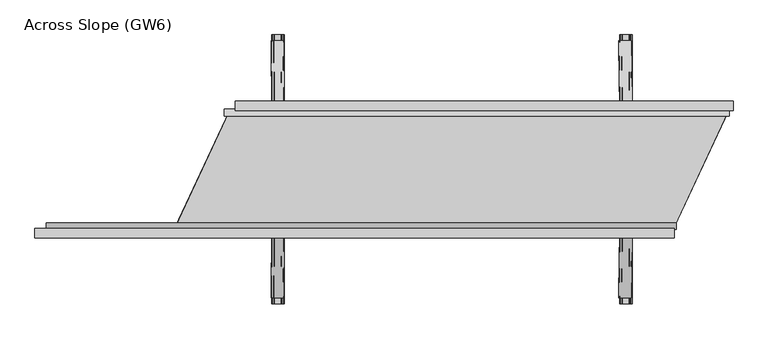
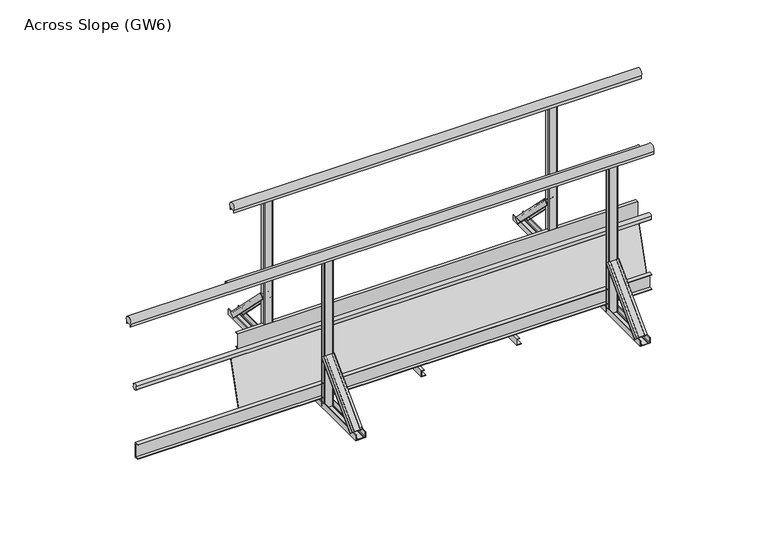
"""IFC4 building model written with IfcOpenShell, lengths in millimetres: proxy geometry, Across Slope (GW6)."""

import ifcopenshell
import ifcopenshell.guid

model = None  # the IFC model being written
_history = None  # IfcOwnerHistory: only IFC2X3 demands one
_inside = {}  # id of a spatial element -> (the spatial element, [elements in it])
_under = {}  # id of a project, library or spatial element -> (it, [spatial elements below it])
_declared = {}  # id of a project -> (the project, [libraries it declares])
_typed = {}  # id of a type object -> (the type object, [elements of that type])
_made_of = {}  # id of a material, layer set ... -> (it, [elements and type objects made of it])


def new_model(schema):
    """Start an empty IFC model of exactly this schema.

    Asked for "IFC4X3", IfcOpenShell would pick the latest addendum, in which some entities
    have other attributes; the version numbers below select the first issue.
    IFC2X3 requires an IfcOwnerHistory on every rooted entity: one is made here for all.
    """
    global model, _history
    if schema == "IFC4X3":
        model = ifcopenshell.file(schema_version=(4, 3, 0, 0))
    else:
        model = ifcopenshell.file(schema=schema)
    _inside.clear()
    _under.clear()
    _declared.clear()
    _typed.clear()
    _made_of.clear()
    _history = None
    if model.schema == "IFC2X3":
        org = make("IfcOrganization", Name="unknown")
        user = make(
            "IfcPersonAndOrganization",
            ThePerson=make("IfcPerson", FamilyName="unknown"),
            TheOrganization=org,
        )
        app = make(
            "IfcApplication",
            ApplicationDeveloper=org,
            Version="unknown",
            ApplicationFullName="unknown",
            ApplicationIdentifier="unknown",
        )
        _history = make(
            "IfcOwnerHistory",
            OwningUser=user,
            OwningApplication=app,
            ChangeAction="ADDED",
            CreationDate=0,
        )
    return model


def make(cls, **values):
    """One entity of the class cls with the attributes given. An attribute that is None is left unset."""
    return model.create_entity(
        cls, **{name: value for name, value in values.items() if value is not None}
    )


def rooted(cls, **values):
    """An entity with a GlobalId (a new one), such as an element, a storey or a relation."""
    return make(cls, GlobalId=ifcopenshell.guid.new(), OwnerHistory=_history, **values)


def si_unit(unit_type, name, prefix=None):
    """IfcSIUnit, for example si_unit("LENGTHUNIT", "METRE", prefix="MILLI")."""
    return make("IfcSIUnit", UnitType=unit_type, Prefix=prefix, Name=name)


def assignment(units):
    """IfcUnitAssignment: the units of a project."""
    return None if units is None else make("IfcUnitAssignment", Units=units)


def point(xyz):
    """IfcCartesianPoint."""
    return None if xyz is None else make("IfcCartesianPoint", Coordinates=xyz)


def direction(xyz):
    """IfcDirection."""
    return None if xyz is None else make("IfcDirection", DirectionRatios=xyz)


def frame(location, z_axis=None, x_axis=None):
    """IfcAxis2Placement3D, a coordinate frame: its origin and axes. An axis left out is left unset."""
    return make(
        "IfcAxis2Placement3D",
        Location=point(location),
        Axis=direction(z_axis),
        RefDirection=direction(x_axis),
    )


def frame_2d(location, x_axis=None):
    """IfcAxis2Placement2D, a coordinate frame in the plane: its origin and x axis."""
    return make(
        "IfcAxis2Placement2D", Location=point(location), RefDirection=direction(x_axis)
    )


def origin():
    """The frame at (0, 0, 0) with its axes left unset."""
    return frame((0.0, 0.0, 0.0))


def origin_with_axes():
    """The frame at (0, 0, 0) with the z axis (0, 0, 1) and the x axis (1, 0, 0) written out."""
    return frame((0.0, 0.0, 0.0), z_axis=(0.0, 0.0, 1.0), x_axis=(1.0, 0.0, 0.0))


def place(relative_to, where):
    """IfcLocalPlacement: puts the frame where relative to a parent placement (None: the world)."""
    return make(
        "IfcLocalPlacement", PlacementRelTo=relative_to, RelativePlacement=where
    )


def context(
    kind, dimensions, precision=None, world=None, true_north=None, identifier=None
):
    """IfcGeometricRepresentationContext, for example the 3D "Model" context."""
    return make(
        "IfcGeometricRepresentationContext",
        ContextIdentifier=identifier,
        ContextType=kind,
        CoordinateSpaceDimension=dimensions,
        Precision=precision,
        WorldCoordinateSystem=world,
        TrueNorth=true_north,
    )


def project(units=None, contexts=None):
    """IfcProject with its units and contexts."""
    return rooted(
        "IfcProject",
        Name="project",
        RepresentationContexts=contexts,
        UnitsInContext=assignment(units),
    )


def spatial(cls, under=None, at=None, **own):
    """A site, building, storey or space (cls), placed at a placement, below another one or the project."""
    s = rooted(cls, ObjectPlacement=at, **own)
    if under is not None:
        _under.setdefault(under.id(), (under, []))[1].append(s)
    return s


def polyline(points):
    """IfcPolyline through the points."""
    return make("IfcPolyline", Points=[point(p) for p in points])


def circle_curve(where, radius):
    """IfcCircle in the frame where."""
    return make("IfcCircle", Position=where, Radius=radius)


def trimmed(basis, trim1, trim2, sense, master):
    """IfcTrimmedCurve: the piece of a basis curve between two trims."""
    return make(
        "IfcTrimmedCurve",
        BasisCurve=basis,
        Trim1=trim1,
        Trim2=trim2,
        SenseAgreement=sense,
        MasterRepresentation=master,
    )


def segment(curve, same_sense, transition):
    """IfcCompositeCurveSegment."""
    return make(
        "IfcCompositeCurveSegment",
        Transition=transition,
        SameSense=same_sense,
        ParentCurve=curve,
    )


def composite_curve(segments, self_intersect=None):
    """IfcCompositeCurve: segments joined end to end."""
    return make("IfcCompositeCurve", Segments=segments, SelfIntersect=self_intersect)


def outline(outer, holes=None, kind="AREA"):
    """IfcArbitraryClosedProfileDef: a profile drawn as a closed curve; with holes, ...WithVoids."""
    if holes is None:
        return make("IfcArbitraryClosedProfileDef", ProfileType=kind, OuterCurve=outer)
    return make(
        "IfcArbitraryProfileDefWithVoids",
        ProfileType=kind,
        OuterCurve=outer,
        InnerCurves=holes,
    )


def extrude(swept, where, along, depth):
    """IfcExtrudedAreaSolid: the profile swept, set in the frame where, extruded along a direction by depth."""
    return make(
        "IfcExtrudedAreaSolid",
        SweptArea=swept,
        Position=where,
        ExtrudedDirection=direction(along),
        Depth=depth,
    )


def shape(context_of_items, identifier, shape_type, items):
    """IfcShapeRepresentation: the items that make up one representation, for example the "Body"."""
    return make(
        "IfcShapeRepresentation",
        ContextOfItems=context_of_items,
        RepresentationIdentifier=identifier,
        RepresentationType=shape_type,
        Items=items,
    )


def source(mapping_origin, context_of_items, identifier, shape_type, items):
    """IfcRepresentationMap: a shape defined once, which mapped items show again and again."""
    return make(
        "IfcRepresentationMap",
        MappingOrigin=mapping_origin,
        MappedRepresentation=shape(context_of_items, identifier, shape_type, items),
    )


def transform(
    local_origin,
    x_axis=None,
    y_axis=None,
    z_axis=None,
    scale=None,
    scale2=None,
    scale3=None,
    uniform=True,
):
    """IfcCartesianTransformationOperator3D, or its non-uniform kind. x_axis, y_axis, z_axis: its Axis1, 2, 3."""
    if uniform:
        return make(
            "IfcCartesianTransformationOperator3D",
            Axis1=direction(x_axis),
            Axis2=direction(y_axis),
            LocalOrigin=point(local_origin),
            Scale=scale,
            Axis3=direction(z_axis),
        )
    return make(
        "IfcCartesianTransformationOperator3DnonUniform",
        Axis1=direction(x_axis),
        Axis2=direction(y_axis),
        LocalOrigin=point(local_origin),
        Scale=scale,
        Axis3=direction(z_axis),
        Scale2=scale2,
        Scale3=scale3,
    )


def mapped(mapping_source, mapping_target):
    """IfcMappedItem: shows the shape of a source again, moved by a transform."""
    return make(
        "IfcMappedItem", MappingSource=mapping_source, MappingTarget=mapping_target
    )


def made_of(thing, what):
    """Note that an element or type object is made of a material, layer set ...; save() writes the relation."""
    if what is not None:
        _made_of.setdefault(what.id(), (what, []))[1].append(thing)
    return thing


def element(
    cls,
    number,
    at=None,
    inside=None,
    cuts=None,
    type_object=None,
    material=None,
    context=None,
    identifier="Body",
    shape_type=None,
    held_by="IfcProductDefinitionShape",
    body=None,
    shapes=None,
    **own,
):
    """One element of the class cls, such as IfcWall. Its Tag is "e" and its number.

    at: its placement. inside: the storey or other place that contains it. cuts: it is an
    opening in that element (IfcRelVoidsElement). A single representation is given by context,
    identifier, shape_type and body (its items); several are given by shapes. held_by: the class
    of the entity that holds the representations. save() writes the other relations.
    """
    e = rooted(cls, Tag="e%d" % number, ObjectPlacement=at, **own)
    if body is not None:
        shapes = [shape(context, identifier, shape_type, body)]
    if shapes is not None:
        e.Representation = make(held_by, Representations=shapes)
    if inside is not None:
        _inside.setdefault(inside.id(), (inside, []))[1].append(e)
    if cuts is not None:
        rooted(
            "IfcRelVoidsElement", RelatingBuildingElement=cuts, RelatedOpeningElement=e
        )
    if type_object is not None:
        _typed.setdefault(type_object.id(), (type_object, []))[1].append(e)
    return made_of(e, material)


def aggregate(whole, parts):
    """IfcRelAggregates: a whole, such as a stair, and the parts it consists of."""
    return rooted("IfcRelAggregates", RelatingObject=whole, RelatedObjects=parts)


def save(model, path):
    """Write the relations noted so far, then the file.

    IfcRelAggregates (storeys below a building ...), IfcRelContainedInSpatialStructure (elements
    in a storey), IfcRelDefinesByType, IfcRelAssociatesMaterial and IfcRelDeclares: one each for
    every whole, place, type object, material and project.
    """
    for whole, parts in _under.values():
        aggregate(whole, parts)
    for where, things in _inside.values():
        rooted(
            "IfcRelContainedInSpatialStructure",
            RelatedElements=things,
            RelatingStructure=where,
        )
    for kind, things in _typed.values():
        rooted("IfcRelDefinesByType", RelatedObjects=things, RelatingType=kind)
    for what, things in _made_of.values():
        rooted("IfcRelAssociatesMaterial", RelatedObjects=things, RelatingMaterial=what)
    for by, libraries in _declared.values():
        rooted("IfcRelDeclares", RelatingContext=by, RelatedDefinitions=libraries)
    model.write(path)


def plane_surface(at):
    """IfcPlane: the flat surface through the origin of the frame at, square to its z axis."""
    return make("IfcPlane", Position=at)


def extruded_surface(curve, direction_of_extrusion, depth):
    """IfcSurfaceOfLinearExtrusion: the curve pushed along a direction by depth."""
    return make(
        "IfcSurfaceOfLinearExtrusion",
        SweptCurve=make("IfcArbitraryOpenProfileDef", ProfileType="CURVE", Curve=curve),
        ExtrudedDirection=direction(direction_of_extrusion),
        Depth=depth,
    )


def advanced_brep(points, edges, surfaces, faces):
    """IfcAdvancedBrep: a solid bounded by faces that lie on surfaces and meet in shared edges.

    An edge is (start, end): straight between two places in points (the first is 0);
    or (start, end, curve); or (start, end, curve, False) where it runs against its curve.
    A face is (place in surfaces, loops), or (place, loops, False) where it looks against
    its surface's normal. A loop lists edges by number (the first is 1), with a minus sign
    where the edge is run from its end to its start. The first loop is the outer one.
    """
    corners = [point(p) for p in points]
    vertices = [make("IfcVertexPoint", VertexGeometry=c) for c in corners]
    made = []
    for start, end, *more in edges:
        made.append(
            make(
                "IfcEdgeCurve",
                EdgeStart=vertices[start],
                EdgeEnd=vertices[end],
                EdgeGeometry=more[0] if more else make("IfcPolyline", Points=[corners[start], corners[end]]),
                SameSense=more[1] if len(more) > 1 else True,
            )
        )
    hull = []
    for where, loops, *sense in faces:
        bounds = []
        for j, loop in enumerate(loops):
            ring = [make("IfcOrientedEdge", EdgeElement=made[abs(k) - 1], Orientation=k > 0) for k in loop]
            bounds.append(
                make(
                    "IfcFaceOuterBound" if j == 0 else "IfcFaceBound",
                    Bound=make("IfcEdgeLoop", EdgeList=ring),
                    Orientation=True,
                )
            )
        hull.append(make("IfcAdvancedFace", Bounds=bounds, FaceSurface=surfaces[where], SameSense=sense[0] if sense else True))
    return make("IfcAdvancedBrep", Outer=make("IfcClosedShell", CfsFaces=hull))


def across_slope_gw6_091c5212(model_context):
    return source(origin(), model_context, "Body", "SolidModel", [
        extrude(outline(polyline([(34.5, 63.0), (9.5, 63.0), (9.5, 163.0), (34.5, 163.0), (34.5, 160.0), (12.5, 160.0), (12.5, 66.0), (34.5, 66.0), (34.5, 63.0)])), frame((333.6034865, 0.0, 0.0), z_axis=(1.0, 0.0, 0.0), x_axis=(0.0, 1.0, 0.0)), (0.0, 0.0, 1.0), 2542.9381096),
        extrude(outline(composite_curve([segment(trimmed(circle_curve(frame_2d((31.5, 1015.0)), 25.0), [point((10.5, 1001.43534))], [point((52.5, 1001.43534))], False, "CARTESIAN"), True, "CONTINUOUS"), segment(polyline([(52.5, 1001.43534), (52.5, 983.0), (51.5, 983.0), (51.5, 998.0), (11.5, 998.0), (11.5, 983.0), (10.5, 983.0), (10.5, 1001.43534)]), True, "CONTINUOUS")], self_intersect=False)), frame((310.0, 0.0, 0.0), z_axis=(1.0, 0.0, 0.0), x_axis=(0.0, 1.0, 0.0)), (0.0, 0.0, 1.0), 2587.9381096),
        extrude(outline(composite_curve([segment(polyline([(-21.8, 520.617273), (-17.8, 520.617273), (-17.8, 535.382727), (-21.8, 535.382727)]), True, "CONTINUOUS"), segment(trimmed(circle_curve(frame_2d((-3.212495, 528.0)), 20.0), [point((-21.8, 535.382727))], [point((12.5, 540.3740657))], False, "CARTESIAN"), True, "CONTINUOUS"), segment(polyline([(12.5, 540.3740657), (12.5, 515.6259343)]), True, "CONTINUOUS"), segment(trimmed(circle_curve(frame_2d((-3.212495, 528.0)), 20.0), [point((12.5, 515.6259343))], [point((-21.8, 520.617273))], False, "CARTESIAN"), True, "CONTINUOUS")], self_intersect=False)), frame((255.0, 0.0, 0.0), z_axis=(1.0, 0.0, 0.0), x_axis=(0.0, 1.0, 0.0)), (0.0, 0.0, 1.0), 2622.9381096),
        extrude(outline(polyline([(-634.5, 63.0), (-634.5, 66.0), (-612.5, 66.0), (-612.5, 160.0), (-634.5, 160.0), (-634.5, 163.0), (-609.5, 163.0), (-609.5, 63.0), (-634.5, 63.0)])), frame((-675.0, 0.0, 0.0), z_axis=(1.0, 0.0, 0.0), x_axis=(0.0, 1.0, 0.0)), (0.0, 0.0, 1.0), 3267.9381096),
        extrude(outline(composite_curve([segment(trimmed(circle_curve(frame_2d((-596.787505, 528.0)), 20.0), [point((-578.2, 520.617273))], [point((-612.5, 515.6259343))], False, "CARTESIAN"), True, "CONTINUOUS"), segment(polyline([(-612.5, 515.6259343), (-612.5, 540.3740657)]), True, "CONTINUOUS"), segment(trimmed(circle_curve(frame_2d((-596.787505, 528.0)), 20.0), [point((-612.5, 540.3740657))], [point((-578.2, 535.382727))], False, "CARTESIAN"), True, "CONTINUOUS"), segment(polyline([(-578.2, 535.382727), (-582.2, 535.382727), (-582.2, 520.617273), (-578.2, 520.617273)]), True, "CONTINUOUS")], self_intersect=False)), frame((-670.0, 0.0, 0.0), z_axis=(1.0, 0.0, 0.0), x_axis=(0.0, 1.0, 0.0)), (0.0, 0.0, 1.0), 3272.9381096),
        extrude(outline(composite_curve([segment(trimmed(circle_curve(frame_2d((-631.5, 1015.0)), 25.0), [point((-652.5, 1001.43534))], [point((-610.5, 1001.43534))], False, "CARTESIAN"), True, "CONTINUOUS"), segment(polyline([(-610.5, 1001.43534), (-610.5, 983.0), (-611.5, 983.0), (-611.5, 998.0), (-651.5, 998.0), (-651.5, 983.0), (-652.5, 983.0), (-652.5, 1001.43534)]), True, "CONTINUOUS")], self_intersect=False)), frame((-730.0, 0.0, 0.0), z_axis=(1.0, 0.0, 0.0), x_axis=(0.0, 1.0, 0.0)), (0.0, 0.0, 1.0), 3322.9381096),
        extrude(outline(polyline([(0.0, 1754.292073), (2.0, 1754.292073), (2.0, 1726.292073), (38.0, 1726.292073), (38.0, 1744.292073), (40.0, 1744.292073), (40.0, 1724.292073), (0.0, 1724.292073), (0.0, 1754.292073)])), frame((0.0, -650.0, 0.0), z_axis=(0.0, 1.0, 0.0), x_axis=(0.0, 0.0, 1.0)), (0.0, 0.0, 1.0), 700.0),
        extrude(outline(polyline([(0.0, 1148.6460365), (2.0, 1148.6460365), (2.0, 1120.6460365), (38.0, 1120.6460365), (38.0, 1138.6460365), (40.0, 1138.6460365), (40.0, 1118.6460365), (0.0, 1118.6460365), (0.0, 1148.6460365)])), frame((0.0, -650.0, 0.0), z_axis=(0.0, 1.0, 0.0), x_axis=(0.0, 0.0, 1.0)), (0.0, 0.0, 1.0), 700.0),
        advanced_brep(
        [(2369.9381096, 368.6980515, 38.0), (2369.9381096, 342.888654, 12.1906025), (2366.9381096, 342.888654, 12.1906025), (2366.9381096, 366.5767312, 35.8786797), (2356.9381096, 366.5767312, 35.8786797), (2356.9381096, 364.8089642, 34.1109127), (2355.9381096, 364.8089642, 34.1109127), (2355.9381096, 366.5767312, 35.8786797), (2318.9381096, 366.5767312, 35.8786797), (2318.9381096, 364.8089642, 34.1109127), (2317.9381096, 364.8089642, 34.1109127), (2317.9381096, 366.5767312, 35.8786797), (2307.9381096, 366.5767312, 35.8786797), (2307.9381096, 342.888654, 12.1906025), (2304.9381096, 342.888654, 12.1906025), (2304.9381096, 368.6980515, 38.0), (2372.9381096, 50.5, 356.1980516), (2307.9381096, 50.5, 356.1980516), (2307.9381096, 24.6906025, 330.3886541), (2310.9381096, 24.6906025, 330.3886541), (2310.9381096, 48.3786797, 354.0767312), (2320.9381096, 48.3786797, 354.0767312), (2320.9381096, 46.6109127, 352.3089643), (2321.9381096, 46.6109127, 352.3089643), (2321.9381096, 48.3786797, 354.0767312), (2358.9381096, 48.3786797, 354.0767312), (2358.9381096, 46.6109127, 352.3089643), (2359.9381096, 46.6109127, 352.3089643), (2359.9381096, 48.3786797, 354.0767312), (2369.9381096, 48.3786797, 354.0767312), (2369.9381096, 24.6906025, 330.3886541), (2372.9381096, 24.6906025, 330.3886541)],
        [
            (0, 1),
            (1, 2, circle_curve(frame((2368.4381096, 342.888654, 12.1906025), z_axis=(0.0, 0.7071067811865506, -0.7071067811865446), x_axis=(0.0, 0.7071067811865446, 0.7071067811865506)), 1.5)),
            (2, 3),
            (3, 4),
            (4, 5),
            (5, 6, circle_curve(frame((2356.4381096, 364.8089642, 34.1109127), z_axis=(0.0, 0.7071067811865506, -0.7071067811865446), x_axis=(0.0, 0.7071067811865446, 0.7071067811865506)), 0.5)),
            (6, 7),
            (7, 8),
            (8, 9),
            (9, 10, circle_curve(frame((2318.4381096, 364.8089642, 34.1109127), z_axis=(0.0, 0.7071067811865506, -0.7071067811865446), x_axis=(0.0, 0.7071067811865446, 0.7071067811865506)), 0.5)),
            (10, 11),
            (11, 12),
            (12, 13),
            (13, 14, circle_curve(frame((2306.4381096, 342.888654, 12.1906025), z_axis=(0.0, 0.7071067811865506, -0.7071067811865446), x_axis=(0.0, 0.7071067811865446, 0.7071067811865506)), 1.5)),
            (14, 15),
            (15, 0),
            (16, 17),
            (17, 18),
            (18, 19, circle_curve(frame((2309.4381096, 24.6906025, 330.3886541), z_axis=(0.0, -0.7071067811865506, 0.7071067811865446), x_axis=(0.0, 0.7071067811865446, 0.7071067811865506)), 1.5)),
            (19, 20),
            (20, 21),
            (21, 22),
            (22, 23, circle_curve(frame((2321.4381096, 46.6109127, 352.3089643), z_axis=(0.0, -0.7071067811865506, 0.7071067811865446), x_axis=(0.0, 0.7071067811865446, 0.7071067811865506)), 0.5)),
            (23, 24),
            (24, 25),
            (25, 26),
            (26, 27, circle_curve(frame((2359.4381096, 46.6109127, 352.3089643), z_axis=(0.0, -0.7071067811865506, 0.7071067811865446), x_axis=(0.0, 0.7071067811865446, 0.7071067811865506)), 0.5)),
            (27, 28),
            (28, 29),
            (29, 30),
            (30, 31, circle_curve(frame((2371.4381096, 24.6906025, 330.3886541), z_axis=(0.0, -0.7071067811865506, 0.7071067811865446), x_axis=(0.0, 0.7071067811865446, 0.7071067811865506)), 1.5)),
            (31, 16),
            (31, 1),
            (0, 16),
            (30, 2),
            (29, 3),
            (28, 4),
            (27, 5),
            (26, 6),
            (25, 7),
            (24, 8),
            (23, 9),
            (22, 10),
            (21, 11),
            (20, 12),
            (19, 13),
            (18, 14),
            (17, 15),
        ],
        [
            plane_surface(frame((2337.4381096, 360.4779352, 29.7798837), z_axis=(0.0, 0.7071067811865502, -0.7071067811865449), x_axis=(0.0, -0.7071067811865449, -0.7071067811865502))),
            plane_surface(frame((2340.4381096, 42.2798837, 347.9779352), z_axis=(0.0, -0.7071067811865505, 0.7071067811865447), x_axis=(0.0, -0.7071067811865447, -0.7071067811865505))),
            plane_surface(frame((2372.9381096, 37.5953012, 343.2933528), z_axis=(0.9999777785184913, 0.004713940454838276, -0.004713940454838116), x_axis=(0.0, -0.7071067811865449, -0.7071067811865502))),
            extruded_surface(trimmed(circle_curve(frame((2371.4381096, 24.6906025, 330.3886541), z_axis=(0.0, 0.7071067811865506, -0.7071067811865446), x_axis=(0.0, 0.7071067811865446, 0.7071067811865506)), 1.5), [point((2372.9381096, 24.6906025, 330.3886541))], [point((2369.9381096, 24.6906025, 330.3886541))], True, "CARTESIAN"), (-3.0, 318.19805149999996, -318.1980516), 450.00999991159404),
            plane_surface(frame((2369.9381096, 36.5346411, 342.2326926), z_axis=(-0.9999777785184911, -0.004713940454837886, 0.00471394045483772), x_axis=(0.0, 0.7071067811865445, 0.7071067811865506))),
            plane_surface(frame((2364.9381096, 48.3786797, 354.0767312), z_axis=(0.0, -0.7071067811865455, -0.7071067811865496), x_axis=(-1.0, 0.0, 0.0))),
            plane_surface(frame((2359.9381096, 47.4947962, 353.1928478), z_axis=(0.9999777785184913, 0.004713940454838199, -0.0047139404548380325), x_axis=(0.0, -0.7071067811865445, -0.7071067811865507))),
            extruded_surface(trimmed(circle_curve(frame((2359.4381096, 46.6109127, 352.3089643), z_axis=(0.0, 0.7071067811865506, -0.7071067811865446), x_axis=(0.0, 0.7071067811865446, 0.7071067811865506)), 0.5), [point((2359.9381096, 46.6109127, 352.3089643))], [point((2358.9381096, 46.6109127, 352.3089643))], True, "CARTESIAN"), (-3.0, 318.1980515, -318.1980516), 450.0099999115941),
            plane_surface(frame((2358.9381096, 47.4947962, 353.1928478), z_axis=(-0.9999777785184912, -0.004713940454838169, 0.0047139404548381045), x_axis=(0.0, 0.7071067811865521, 0.707106781186543))),
            plane_surface(frame((2340.4381096, 48.3786797, 354.0767312), z_axis=(0.0, -0.7071067811865461, -0.7071067811865491), x_axis=(-1.0, 0.0, 0.0))),
            plane_surface(frame((2321.9381096, 47.4947962, 353.1928478), z_axis=(0.9999777785184911, 0.004713940454838164, -0.004713940454837987), x_axis=(0.0, -0.7071067811865436, -0.7071067811865515))),
            extruded_surface(trimmed(circle_curve(frame((2321.4381096, 46.6109127, 352.3089643), z_axis=(0.0, 0.7071067811865506, -0.7071067811865446), x_axis=(0.0, 0.7071067811865446, 0.7071067811865506)), 0.5), [point((2321.9381096, 46.6109127, 352.3089643))], [point((2320.9381096, 46.6109127, 352.3089643))], True, "CARTESIAN"), (-3.0, 318.1980515, -318.1980516), 450.0099999115941),
            plane_surface(frame((2320.9381096, 47.4947962, 353.1928478), z_axis=(-0.9999777785184913, -0.004713940454838203, 0.004713940454838003), x_axis=(0.0, 0.7071067811865419, 0.7071067811865532))),
            plane_surface(frame((2315.9381096, 48.3786797, 354.0767312), z_axis=(0.0, -0.7071067811865461, -0.7071067811865491), x_axis=(-1.0, 0.0, 0.0))),
            plane_surface(frame((2310.9381096, 36.5346411, 342.2326926), z_axis=(0.9999777785184911, 0.004713940454838192, -0.004713940454838038), x_axis=(0.0, -0.7071067811865454, -0.7071067811865497))),
            extruded_surface(trimmed(circle_curve(frame((2309.4381096, 24.6906025, 330.3886541), z_axis=(0.0, 0.7071067811865506, -0.7071067811865446), x_axis=(0.0, 0.7071067811865446, 0.7071067811865506)), 1.5), [point((2310.9381096, 24.6906025, 330.3886541))], [point((2307.9381096, 24.6906025, 330.3886541))], True, "CARTESIAN"), (-3.0, 318.19805149999996, -318.1980516), 450.00999991159404),
            plane_surface(frame((2307.9381096, 37.5953012, 343.2933528), z_axis=(-0.9999777785184911, -0.00471394045483825, 0.004713940454838091), x_axis=(0.0, 0.7071067811865449, 0.7071067811865501))),
            plane_surface(frame((2340.4381096, 50.5, 356.1980516), z_axis=(0.0, 0.7071067811865455, 0.7071067811865497), x_axis=(1.0, 0.0, 0.0))),
        ],
        [
            (0, [[1, 2, 3, 4, 5, 6, 7, 8, 9, 10, 11, 12, 13, 14, 15, 16]]),
            (1, [[17, 18, 19, 20, 21, 22, 23, 24, 25, 26, 27, 28, 29, 30, 31, 32]]),
            (2, [[-32, 33, -1, 34]]),
            (3, [[-31, 35, -2, -33]]),
            (4, [[-30, 36, -3, -35]]),
            (5, [[-29, 37, -4, -36]]),
            (6, [[-28, 38, -5, -37]]),
            (7, [[-27, 39, -6, -38]]),
            (8, [[-26, 40, -7, -39]]),
            (9, [[-25, 41, -8, -40]]),
            (10, [[-24, 42, -9, -41]]),
            (11, [[-23, 43, -10, -42]]),
            (12, [[-22, 44, -11, -43]]),
            (13, [[-21, 45, -12, -44]]),
            (14, [[-20, 46, -13, -45]]),
            (15, [[-19, 47, -14, -46]]),
            (16, [[-18, 48, -15, -47]]),
            (17, [[-17, -34, -16, -48]]),
        ],
    ),
        extrude(outline(composite_curve([segment(trimmed(circle_curve(frame_2d((2363.4381096, 45.5)), 5.0), [point((2363.4381096, 50.5))], [point((2368.4381096, 45.5))], False, "CARTESIAN"), True, "CONTINUOUS"), segment(polyline([(2368.4381096, 45.5), (2368.4381096, 17.5)]), True, "CONTINUOUS"), segment(trimmed(circle_curve(frame_2d((2363.4381096, 17.5)), 5.0), [point((2368.4381096, 17.5))], [point((2363.4381096, 12.5))], False, "CARTESIAN"), True, "CONTINUOUS"), segment(polyline([(2363.4381096, 12.5), (2317.4381096, 12.5)]), True, "CONTINUOUS"), segment(trimmed(circle_curve(frame_2d((2317.4381096, 17.5)), 5.0), [point((2317.4381096, 12.5))], [point((2312.4381096, 17.5))], False, "CARTESIAN"), True, "CONTINUOUS"), segment(polyline([(2312.4381096, 17.5), (2312.4381096, 45.5)]), True, "CONTINUOUS"), segment(trimmed(circle_curve(frame_2d((2317.4381096, 45.5)), 5.0), [point((2312.4381096, 45.5))], [point((2317.4381096, 50.5))], False, "CARTESIAN"), True, "CONTINUOUS"), segment(polyline([(2317.4381096, 50.5), (2363.4381096, 50.5)]), True, "CONTINUOUS")], self_intersect=False)), origin_with_axes(), (0.0, 0.0, 1.0), 998.0),
        extrude(outline(composite_curve([segment(trimmed(circle_curve(frame_2d((2363.4381096, -617.5)), 5.0), [point((2363.4381096, -612.5))], [point((2368.4381096, -617.5))], False, "CARTESIAN"), True, "CONTINUOUS"), segment(polyline([(2368.4381096, -617.5), (2368.4381096, -645.5)]), True, "CONTINUOUS"), segment(trimmed(circle_curve(frame_2d((2363.4381096, -645.5)), 5.0), [point((2368.4381096, -645.5))], [point((2363.4381096, -650.5))], False, "CARTESIAN"), True, "CONTINUOUS"), segment(polyline([(2363.4381096, -650.5), (2317.4381096, -650.5)]), True, "CONTINUOUS"), segment(trimmed(circle_curve(frame_2d((2317.4381096, -645.5)), 5.0), [point((2317.4381096, -650.5))], [point((2312.4381096, -645.5))], False, "CARTESIAN"), True, "CONTINUOUS"), segment(polyline([(2312.4381096, -645.5), (2312.4381096, -617.5)]), True, "CONTINUOUS"), segment(trimmed(circle_curve(frame_2d((2317.4381096, -617.5)), 5.0), [point((2312.4381096, -617.5))], [point((2317.4381096, -612.5))], False, "CARTESIAN"), True, "CONTINUOUS"), segment(polyline([(2317.4381096, -612.5), (2363.4381096, -612.5)]), True, "CONTINUOUS")], self_intersect=False)), origin_with_axes(), (0.0, 0.0, 1.0), 998.0),
        advanced_brep(
        [(2304.9381096, -968.7087394, 38.0), (2304.9381096, -942.8993419, 12.1906025), (2307.9381096, -942.8993419, 12.1906025), (2307.9381096, -966.5874191, 35.8786797), (2317.9381096, -966.5874191, 35.8786797), (2317.9381096, -964.8196521, 34.1109127), (2318.9381096, -964.8196521, 34.1109127), (2318.9381096, -966.5874191, 35.8786797), (2355.9381096, -966.5874191, 35.8786797), (2355.9381096, -964.8196521, 34.1109127), (2356.9381096, -964.8196521, 34.1109127), (2356.9381096, -966.5874191, 35.8786797), (2366.9381096, -966.5874191, 35.8786797), (2366.9381096, -942.8993419, 12.1906025), (2369.9381096, -942.8993419, 12.1906025), (2369.9381096, -968.7087394, 38.0), (2307.9381096, -650.5106879, 356.1980516), (2372.9381096, -650.5106879, 356.1980516), (2372.9381096, -624.7012904, 330.3886541), (2369.9381096, -624.7012904, 330.3886541), (2369.9381096, -648.3893676, 354.0767312), (2359.9381096, -648.3893676, 354.0767312), (2359.9381096, -646.6216006, 352.3089643), (2358.9381096, -646.6216006, 352.3089643), (2358.9381096, -648.3893676, 354.0767312), (2321.9381096, -648.3893676, 354.0767312), (2321.9381096, -646.6216006, 352.3089643), (2320.9381096, -646.6216006, 352.3089643), (2320.9381096, -648.3893676, 354.0767312), (2310.9381096, -648.3893676, 354.0767312), (2310.9381096, -624.7012904, 330.3886541), (2307.9381096, -624.7012904, 330.3886541)],
        [
            (0, 1),
            (1, 2, circle_curve(frame((2306.4381096, -942.8993419, 12.1906025), z_axis=(0.0, -0.7071067811865432, -0.7071067811865519), x_axis=(0.0, 0.7071067811865519, -0.7071067811865432)), 1.5)),
            (2, 3),
            (3, 4),
            (4, 5),
            (5, 6, circle_curve(frame((2318.4381096, -964.8196521, 34.1109127), z_axis=(0.0, -0.7071067811865432, -0.7071067811865519), x_axis=(0.0, 0.7071067811865519, -0.7071067811865432)), 0.5)),
            (6, 7),
            (7, 8),
            (8, 9),
            (9, 10, circle_curve(frame((2356.4381096, -964.8196521, 34.1109127), z_axis=(0.0, -0.7071067811865432, -0.7071067811865519), x_axis=(0.0, 0.7071067811865519, -0.7071067811865432)), 0.5)),
            (10, 11),
            (11, 12),
            (12, 13),
            (13, 14, circle_curve(frame((2368.4381096, -942.8993419, 12.1906025), z_axis=(0.0, -0.7071067811865432, -0.7071067811865519), x_axis=(0.0, 0.7071067811865519, -0.7071067811865432)), 1.5)),
            (14, 15),
            (15, 0),
            (16, 17),
            (17, 18),
            (18, 19, circle_curve(frame((2371.4381096, -624.7012904, 330.3886541), z_axis=(0.0, 0.7071067811865432, 0.7071067811865519), x_axis=(0.0, 0.7071067811865519, -0.7071067811865432)), 1.5)),
            (19, 20),
            (20, 21),
            (21, 22),
            (22, 23, circle_curve(frame((2359.4381096, -646.6216006, 352.3089643), z_axis=(0.0, 0.7071067811865432, 0.7071067811865519), x_axis=(0.0, 0.7071067811865519, -0.7071067811865432)), 0.5)),
            (23, 24),
            (24, 25),
            (25, 26),
            (26, 27, circle_curve(frame((2321.4381096, -646.6216006, 352.3089643), z_axis=(0.0, 0.7071067811865432, 0.7071067811865519), x_axis=(0.0, 0.7071067811865519, -0.7071067811865432)), 0.5)),
            (27, 28),
            (28, 29),
            (29, 30),
            (30, 31, circle_curve(frame((2309.4381096, -624.7012904, 330.3886541), z_axis=(0.0, 0.7071067811865432, 0.7071067811865519), x_axis=(0.0, 0.7071067811865519, -0.7071067811865432)), 1.5)),
            (31, 16),
            (31, 1),
            (0, 16),
            (30, 2),
            (29, 3),
            (28, 4),
            (27, 5),
            (26, 6),
            (25, 7),
            (24, 8),
            (23, 9),
            (22, 10),
            (21, 11),
            (20, 12),
            (19, 13),
            (18, 14),
            (17, 15),
        ],
        [
            plane_surface(frame((2337.4381096, -960.4886231, 29.7798837), z_axis=(0.0, -0.707106781186543, -0.7071067811865521), x_axis=(0.0, 0.7071067811865521, -0.707106781186543))),
            plane_surface(frame((2340.4381096, -642.2905716, 347.9779352), z_axis=(0.0, 0.7071067811865432, 0.7071067811865519), x_axis=(0.0, 0.7071067811865519, -0.7071067811865432))),
            plane_surface(frame((2307.9381096, -637.6059891, 343.2933528), z_axis=(-0.9999777785184912, 0.004713940454842057, 0.004713940454841993), x_axis=(0.0, 0.7071067811865521, -0.707106781186543))),
            extruded_surface(trimmed(circle_curve(frame((2309.4381096, -624.7012904, 330.3886541), z_axis=(0.0, -0.7071067811865432, -0.7071067811865519), x_axis=(0.0, 0.7071067811865519, -0.7071067811865432)), 1.5), [point((2307.9381096, -624.7012904, 330.3886541))], [point((2310.9381096, -624.7012904, 330.3886541))], True, "CARTESIAN"), (-3.0, -318.1980515, -318.1980516), 450.0099999115941),
            plane_surface(frame((2310.9381096, -636.545329, 342.2326926), z_axis=(0.9999777785184912, -0.004713940454842057, -0.004713940454841993), x_axis=(0.0, -0.7071067811865521, 0.707106781186543))),
            plane_surface(frame((2315.9381096, -648.3893676, 354.0767312), z_axis=(0.0, 0.7071067811865525, -0.7071067811865427), x_axis=(1.0, 0.0, 0.0))),
            plane_surface(frame((2320.9381096, -647.5054841, 353.1928478), z_axis=(-0.9999777785184911, 0.004713940454842033, 0.004713940454842016), x_axis=(0.0, 0.7071067811865557, -0.7071067811865394))),
            extruded_surface(trimmed(circle_curve(frame((2321.4381096, -646.6216006, 352.3089643), z_axis=(0.0, -0.7071067811865432, -0.7071067811865519), x_axis=(0.0, 0.7071067811865519, -0.7071067811865432)), 0.5), [point((2320.9381096, -646.6216006, 352.3089643))], [point((2321.9381096, -646.6216006, 352.3089643))], True, "CARTESIAN"), (-3.0, -318.1980515, -318.1980516), 450.0099999115941),
            plane_surface(frame((2321.9381096, -647.5054841, 353.1928478), z_axis=(0.9999777785184911, -0.004713940454842045, -0.004713940454842029), x_axis=(0.0, -0.7071067811865557, 0.7071067811865394))),
            plane_surface(frame((2340.4381096, -648.3893676, 354.0767312), z_axis=(0.0, 0.7071067811865525, -0.7071067811865427), x_axis=(1.0, 0.0, 0.0))),
            plane_surface(frame((2358.9381096, -647.5054841, 353.1928478), z_axis=(-0.9999777785184911, 0.004713940454842039, 0.004713940454842022), x_axis=(0.0, 0.7071067811865557, -0.7071067811865394))),
            extruded_surface(trimmed(circle_curve(frame((2359.4381096, -646.6216006, 352.3089643), z_axis=(0.0, -0.7071067811865432, -0.7071067811865519), x_axis=(0.0, 0.7071067811865519, -0.7071067811865432)), 0.5), [point((2358.9381096, -646.6216006, 352.3089643))], [point((2359.9381096, -646.6216006, 352.3089643))], True, "CARTESIAN"), (-3.0, -318.1980515, -318.1980516), 450.0099999115941),
            plane_surface(frame((2359.9381096, -647.5054841, 353.1928478), z_axis=(0.9999777785184911, -0.004713940454842066, -0.004713940454841994), x_axis=(0.0, -0.7071067811865515, 0.7071067811865436))),
            plane_surface(frame((2364.9381096, -648.3893676, 354.0767312), z_axis=(0.0, 0.7071067811865522, -0.707106781186543), x_axis=(1.0, 0.0, 0.0))),
            plane_surface(frame((2369.9381096, -636.545329, 342.2326926), z_axis=(-0.9999777785184911, 0.004713940454842064, 0.004713940454841998), x_axis=(0.0, 0.707106781186552, -0.7071067811865431))),
            extruded_surface(trimmed(circle_curve(frame((2371.4381096, -624.7012904, 330.3886541), z_axis=(0.0, -0.7071067811865432, -0.7071067811865519), x_axis=(0.0, 0.7071067811865519, -0.7071067811865432)), 1.5), [point((2369.9381096, -624.7012904, 330.3886541))], [point((2372.9381096, -624.7012904, 330.3886541))], True, "CARTESIAN"), (-3.0, -318.1980515, -318.1980516), 450.0099999115941),
            plane_surface(frame((2372.9381096, -637.6059891, 343.2933528), z_axis=(0.9999777785184913, -0.004713940454842066, -0.004713940454841998), x_axis=(0.0, -0.7071067811865519, 0.7071067811865432))),
            plane_surface(frame((2340.4381096, -650.5106879, 356.1980516), z_axis=(0.0, -0.7071067811865526, 0.7071067811865427), x_axis=(-1.0, 0.0, 0.0))),
        ],
        [
            (0, [[1, 2, 3, 4, 5, 6, 7, 8, 9, 10, 11, 12, 13, 14, 15, 16]]),
            (1, [[17, 18, 19, 20, 21, 22, 23, 24, 25, 26, 27, 28, 29, 30, 31, 32]]),
            (2, [[-32, 33, -1, 34]]),
            (3, [[-31, 35, -2, -33]]),
            (4, [[-30, 36, -3, -35]]),
            (5, [[-29, 37, -4, -36]]),
            (6, [[-28, 38, -5, -37]]),
            (7, [[-27, 39, -6, -38]]),
            (8, [[-26, 40, -7, -39]]),
            (9, [[-25, 41, -8, -40]]),
            (10, [[-24, 42, -9, -41]]),
            (11, [[-23, 43, -10, -42]]),
            (12, [[-22, 44, -11, -43]]),
            (13, [[-21, 45, -12, -44]]),
            (14, [[-20, 46, -13, -45]]),
            (15, [[-19, 47, -14, -46]]),
            (16, [[-18, 48, -15, -47]]),
            (17, [[-17, -34, -16, -48]]),
        ],
    ),
        extrude(outline(composite_curve([segment(polyline([(0.0, 2307.9381096), (0.0, 2372.9381096), (36.5, 2372.9381096)]), True, "CONTINUOUS"), segment(trimmed(circle_curve(frame_2d((36.5, 2371.4381096)), 1.5), [point((36.5, 2372.9381096))], [point((36.5, 2369.9381096))], False, "CARTESIAN"), True, "CONTINUOUS"), segment(polyline([(36.5, 2369.9381096), (3.0, 2369.9381096), (3.0, 2359.9381096), (5.5, 2359.9381096)]), True, "CONTINUOUS"), segment(trimmed(circle_curve(frame_2d((5.5, 2359.4381096)), 0.5), [point((5.5, 2359.9381096))], [point((5.5, 2358.9381096))], False, "CARTESIAN"), True, "CONTINUOUS"), segment(polyline([(5.5, 2358.9381096), (3.0, 2358.9381096), (3.0, 2321.9381096), (5.5, 2321.9381096)]), True, "CONTINUOUS"), segment(trimmed(circle_curve(frame_2d((5.5, 2321.4381096)), 0.5), [point((5.5, 2321.9381096))], [point((5.5, 2320.9381096))], False, "CARTESIAN"), True, "CONTINUOUS"), segment(polyline([(5.5, 2320.9381096), (3.0, 2320.9381096), (3.0, 2310.9381096), (36.5, 2310.9381096)]), True, "CONTINUOUS"), segment(trimmed(circle_curve(frame_2d((36.5, 2309.4381096)), 1.5), [point((36.5, 2310.9381096))], [point((36.5, 2307.9381096))], False, "CARTESIAN"), True, "CONTINUOUS"), segment(polyline([(36.5, 2307.9381096), (0.0, 2307.9381096)]), True, "CONTINUOUS")], self_intersect=False)), frame((0.0, -1000.0, 0.0), z_axis=(0.0, 1.0, 0.0), x_axis=(0.0, 0.0, 1.0)), (0.0, 0.0, 1.0), 1400.0),
        advanced_brep(
        [(562.0, 368.6980515, 38.0), (562.0, 342.888654, 12.1906025), (559.0, 342.888654, 12.1906025), (559.0, 366.5767312, 35.8786797), (549.0, 366.5767312, 35.8786797), (549.0, 364.8089642, 34.1109127), (548.0, 364.8089642, 34.1109127), (548.0, 366.5767312, 35.8786797), (511.0, 366.5767312, 35.8786797), (511.0, 364.8089642, 34.1109127), (510.0, 364.8089642, 34.1109127), (510.0, 366.5767312, 35.8786797), (500.0, 366.5767312, 35.8786797), (500.0, 342.888654, 12.1906025), (497.0, 342.888654, 12.1906025), (497.0, 368.6980515, 38.0), (565.0, 50.5, 356.1980515), (500.0, 50.5, 356.1980515), (500.0, 24.6906025, 330.388654), (503.0, 24.6906025, 330.388654), (503.0, 48.3786797, 354.0767312), (513.0, 48.3786797, 354.0767312), (513.0, 46.6109127, 352.3089642), (514.0, 46.6109127, 352.3089642), (514.0, 48.3786797, 354.0767312), (551.0, 48.3786797, 354.0767312), (551.0, 46.6109127, 352.3089642), (552.0, 46.6109127, 352.3089642), (552.0, 48.3786797, 354.0767312), (562.0, 48.3786797, 354.0767312), (562.0, 24.6906025, 330.388654), (565.0, 24.6906025, 330.388654)],
        [
            (0, 1),
            (1, 2, circle_curve(frame((560.5, 342.888654, 12.1906025), z_axis=(0.0, 0.7071067811865506, -0.7071067811865446), x_axis=(0.0, 0.7071067811865446, 0.7071067811865506)), 1.5)),
            (2, 3),
            (3, 4),
            (4, 5),
            (5, 6, circle_curve(frame((548.5, 364.8089642, 34.1109127), z_axis=(0.0, 0.7071067811865506, -0.7071067811865446), x_axis=(0.0, 0.7071067811865446, 0.7071067811865506)), 0.5)),
            (6, 7),
            (7, 8),
            (8, 9),
            (9, 10, circle_curve(frame((510.5, 364.8089642, 34.1109127), z_axis=(0.0, 0.7071067811865506, -0.7071067811865446), x_axis=(0.0, 0.7071067811865446, 0.7071067811865506)), 0.5)),
            (10, 11),
            (11, 12),
            (12, 13),
            (13, 14, circle_curve(frame((498.5, 342.888654, 12.1906025), z_axis=(0.0, 0.7071067811865506, -0.7071067811865446), x_axis=(0.0, 0.7071067811865446, 0.7071067811865506)), 1.5)),
            (14, 15),
            (15, 0),
            (16, 17),
            (17, 18),
            (18, 19, circle_curve(frame((501.5, 24.6906025, 330.388654), z_axis=(0.0, -0.7071067811865506, 0.7071067811865446), x_axis=(0.0, 0.7071067811865446, 0.7071067811865506)), 1.5)),
            (19, 20),
            (20, 21),
            (21, 22),
            (22, 23, circle_curve(frame((513.5, 46.6109127, 352.3089642), z_axis=(0.0, -0.7071067811865506, 0.7071067811865446), x_axis=(0.0, 0.7071067811865446, 0.7071067811865506)), 0.5)),
            (23, 24),
            (24, 25),
            (25, 26),
            (26, 27, circle_curve(frame((551.5, 46.6109127, 352.3089642), z_axis=(0.0, -0.7071067811865506, 0.7071067811865446), x_axis=(0.0, 0.7071067811865446, 0.7071067811865506)), 0.5)),
            (27, 28),
            (28, 29),
            (29, 30),
            (30, 31, circle_curve(frame((563.5, 24.6906025, 330.388654), z_axis=(0.0, -0.7071067811865506, 0.7071067811865446), x_axis=(0.0, 0.7071067811865446, 0.7071067811865506)), 1.5)),
            (31, 16),
            (31, 1),
            (0, 16),
            (30, 2),
            (29, 3),
            (28, 4),
            (27, 5),
            (26, 6),
            (25, 7),
            (24, 8),
            (23, 9),
            (22, 10),
            (21, 11),
            (20, 12),
            (19, 13),
            (18, 14),
            (17, 15),
        ],
        [
            plane_surface(frame((529.5, 360.4779352, 29.7798837), z_axis=(0.0, 0.7071067811865502, -0.7071067811865449), x_axis=(0.0, -0.7071067811865449, -0.7071067811865502))),
            plane_surface(frame((532.5, 42.2798837, 347.9779352), z_axis=(0.0, -0.7071067811865505, 0.7071067811865447), x_axis=(0.0, -0.7071067811865447, -0.7071067811865505))),
            plane_surface(frame((565.0, 37.5953012, 343.2933528), z_axis=(0.9999777785184913, 0.004713940454838276, -0.004713940454838116), x_axis=(0.0, -0.7071067811865449, -0.7071067811865502))),
            extruded_surface(trimmed(circle_curve(frame((563.5, 24.6906025, 330.388654), z_axis=(0.0, 0.7071067811865506, -0.7071067811865446), x_axis=(0.0, 0.7071067811865446, 0.7071067811865506)), 1.5), [point((565.0, 24.6906025, 330.388654))], [point((562.0, 24.6906025, 330.388654))], True, "CARTESIAN"), (-3.0, 318.19805149999996, -318.19805149999996), 450.009999840885),
            plane_surface(frame((562.0, 36.5346411, 342.2326926), z_axis=(-0.9999777785184911, -0.004713940454837886, 0.00471394045483772), x_axis=(0.0, 0.7071067811865445, 0.7071067811865506))),
            plane_surface(frame((557.0, 48.3786797, 354.0767312), z_axis=(0.0, -0.7071067811865455, -0.7071067811865496), x_axis=(-1.0, 0.0, 0.0))),
            plane_surface(frame((552.0, 47.4947962, 353.1928477), z_axis=(0.9999777785184913, 0.004713940454838199, -0.0047139404548380325), x_axis=(0.0, -0.7071067811865445, -0.7071067811865507))),
            extruded_surface(trimmed(circle_curve(frame((551.5, 46.6109127, 352.3089642), z_axis=(0.0, 0.7071067811865506, -0.7071067811865446), x_axis=(0.0, 0.7071067811865446, 0.7071067811865506)), 0.5), [point((552.0, 46.6109127, 352.3089642))], [point((551.0, 46.6109127, 352.3089642))], True, "CARTESIAN"), (-3.0, 318.1980515, -318.1980515), 450.00999984088503),
            plane_surface(frame((551.0, 47.4947962, 353.1928477), z_axis=(-0.9999777785184912, -0.004713940454838169, 0.0047139404548381045), x_axis=(0.0, 0.7071067811865521, 0.707106781186543))),
            plane_surface(frame((532.5, 48.3786797, 354.0767312), z_axis=(0.0, -0.7071067811865461, -0.7071067811865491), x_axis=(-1.0, 0.0, 0.0))),
            plane_surface(frame((514.0, 47.4947962, 353.1928477), z_axis=(0.9999777785184911, 0.004713940454838164, -0.004713940454837987), x_axis=(0.0, -0.7071067811865436, -0.7071067811865515))),
            extruded_surface(trimmed(circle_curve(frame((513.5, 46.6109127, 352.3089642), z_axis=(0.0, 0.7071067811865506, -0.7071067811865446), x_axis=(0.0, 0.7071067811865446, 0.7071067811865506)), 0.5), [point((514.0, 46.6109127, 352.3089642))], [point((513.0, 46.6109127, 352.3089642))], True, "CARTESIAN"), (-3.0, 318.1980515, -318.1980515), 450.00999984088503),
            plane_surface(frame((513.0, 47.4947962, 353.1928477), z_axis=(-0.9999777785184913, -0.004713940454838203, 0.004713940454838003), x_axis=(0.0, 0.7071067811865419, 0.7071067811865532))),
            plane_surface(frame((508.0, 48.3786797, 354.0767312), z_axis=(0.0, -0.7071067811865461, -0.7071067811865491), x_axis=(-1.0, 0.0, 0.0))),
            plane_surface(frame((503.0, 36.5346411, 342.2326926), z_axis=(0.9999777785184911, 0.004713940454838192, -0.004713940454838038), x_axis=(0.0, -0.7071067811865454, -0.7071067811865497))),
            extruded_surface(trimmed(circle_curve(frame((501.5, 24.6906025, 330.388654), z_axis=(0.0, 0.7071067811865506, -0.7071067811865446), x_axis=(0.0, 0.7071067811865446, 0.7071067811865506)), 1.5), [point((503.0, 24.6906025, 330.388654))], [point((500.0, 24.6906025, 330.388654))], True, "CARTESIAN"), (-3.0, 318.19805149999996, -318.19805149999996), 450.009999840885),
            plane_surface(frame((500.0, 37.5953012, 343.2933528), z_axis=(-0.9999777785184911, -0.00471394045483825, 0.004713940454838091), x_axis=(0.0, 0.7071067811865449, 0.7071067811865501))),
            plane_surface(frame((532.5, 50.5, 356.1980515), z_axis=(0.0, 0.7071067811865455, 0.7071067811865497), x_axis=(1.0, 0.0, 0.0))),
        ],
        [
            (0, [[1, 2, 3, 4, 5, 6, 7, 8, 9, 10, 11, 12, 13, 14, 15, 16]]),
            (1, [[17, 18, 19, 20, 21, 22, 23, 24, 25, 26, 27, 28, 29, 30, 31, 32]]),
            (2, [[-32, 33, -1, 34]]),
            (3, [[-31, 35, -2, -33]]),
            (4, [[-30, 36, -3, -35]]),
            (5, [[-29, 37, -4, -36]]),
            (6, [[-28, 38, -5, -37]]),
            (7, [[-27, 39, -6, -38]]),
            (8, [[-26, 40, -7, -39]]),
            (9, [[-25, 41, -8, -40]]),
            (10, [[-24, 42, -9, -41]]),
            (11, [[-23, 43, -10, -42]]),
            (12, [[-22, 44, -11, -43]]),
            (13, [[-21, 45, -12, -44]]),
            (14, [[-20, 46, -13, -45]]),
            (15, [[-19, 47, -14, -46]]),
            (16, [[-18, 48, -15, -47]]),
            (17, [[-17, -34, -16, -48]]),
        ],
    ),
        extrude(outline(composite_curve([segment(trimmed(circle_curve(frame_2d((555.5, 45.5)), 5.0), [point((555.5, 50.5))], [point((560.5, 45.5))], False, "CARTESIAN"), True, "CONTINUOUS"), segment(polyline([(560.5, 45.5), (560.5, 17.5)]), True, "CONTINUOUS"), segment(trimmed(circle_curve(frame_2d((555.5, 17.5)), 5.0), [point((560.5, 17.5))], [point((555.5, 12.5))], False, "CARTESIAN"), True, "CONTINUOUS"), segment(polyline([(555.5, 12.5), (509.5, 12.5)]), True, "CONTINUOUS"), segment(trimmed(circle_curve(frame_2d((509.5, 17.5)), 5.0), [point((509.5, 12.5))], [point((504.5, 17.5))], False, "CARTESIAN"), True, "CONTINUOUS"), segment(polyline([(504.5, 17.5), (504.5, 45.5)]), True, "CONTINUOUS"), segment(trimmed(circle_curve(frame_2d((509.5, 45.5)), 5.0), [point((504.5, 45.5))], [point((509.5, 50.5))], False, "CARTESIAN"), True, "CONTINUOUS"), segment(polyline([(509.5, 50.5), (555.5, 50.5)]), True, "CONTINUOUS")], self_intersect=False)), origin_with_axes(), (0.0, 0.0, 1.0), 998.0),
        extrude(outline(composite_curve([segment(trimmed(circle_curve(frame_2d((555.5, -617.5)), 5.0), [point((555.5, -612.5))], [point((560.5, -617.5))], False, "CARTESIAN"), True, "CONTINUOUS"), segment(polyline([(560.5, -617.5), (560.5, -645.5)]), True, "CONTINUOUS"), segment(trimmed(circle_curve(frame_2d((555.5, -645.5)), 5.0), [point((560.5, -645.5))], [point((555.5, -650.5))], False, "CARTESIAN"), True, "CONTINUOUS"), segment(polyline([(555.5, -650.5), (509.5, -650.5)]), True, "CONTINUOUS"), segment(trimmed(circle_curve(frame_2d((509.5, -645.5)), 5.0), [point((509.5, -650.5))], [point((504.5, -645.5))], False, "CARTESIAN"), True, "CONTINUOUS"), segment(polyline([(504.5, -645.5), (504.5, -617.5)]), True, "CONTINUOUS"), segment(trimmed(circle_curve(frame_2d((509.5, -617.5)), 5.0), [point((504.5, -617.5))], [point((509.5, -612.5))], False, "CARTESIAN"), True, "CONTINUOUS"), segment(polyline([(509.5, -612.5), (555.5, -612.5)]), True, "CONTINUOUS")], self_intersect=False)), origin_with_axes(), (0.0, 0.0, 1.0), 998.0),
        advanced_brep(
        [(497.0, -968.7087394, 38.0), (497.0, -942.8993419, 12.1906025), (500.0, -942.8993419, 12.1906025), (500.0, -966.5874191, 35.8786797), (510.0, -966.5874191, 35.8786797), (510.0, -964.8196521, 34.1109127), (511.0, -964.8196521, 34.1109127), (511.0, -966.5874191, 35.8786797), (548.0, -966.5874191, 35.8786797), (548.0, -964.8196521, 34.1109127), (549.0, -964.8196521, 34.1109127), (549.0, -966.5874191, 35.8786797), (559.0, -966.5874191, 35.8786797), (559.0, -942.8993419, 12.1906025), (562.0, -942.8993419, 12.1906025), (562.0, -968.7087394, 38.0), (500.0, -650.5106879, 356.1980515), (565.0, -650.5106879, 356.1980515), (565.0, -624.7012904, 330.388654), (562.0, -624.7012904, 330.388654), (562.0, -648.3893676, 354.0767312), (552.0, -648.3893676, 354.0767312), (552.0, -646.6216006, 352.3089642), (551.0, -646.6216006, 352.3089642), (551.0, -648.3893676, 354.0767312), (514.0, -648.3893676, 354.0767312), (514.0, -646.6216006, 352.3089642), (513.0, -646.6216006, 352.3089642), (513.0, -648.3893676, 354.0767312), (503.0, -648.3893676, 354.0767312), (503.0, -624.7012904, 330.388654), (500.0, -624.7012904, 330.388654)],
        [
            (0, 1),
            (1, 2, circle_curve(frame((498.5, -942.8993419, 12.1906025), z_axis=(0.0, -0.7071067811865432, -0.7071067811865519), x_axis=(0.0, 0.7071067811865519, -0.7071067811865432)), 1.5)),
            (2, 3),
            (3, 4),
            (4, 5),
            (5, 6, circle_curve(frame((510.5, -964.8196521, 34.1109127), z_axis=(0.0, -0.7071067811865432, -0.7071067811865519), x_axis=(0.0, 0.7071067811865519, -0.7071067811865432)), 0.5)),
            (6, 7),
            (7, 8),
            (8, 9),
            (9, 10, circle_curve(frame((548.5, -964.8196521, 34.1109127), z_axis=(0.0, -0.7071067811865432, -0.7071067811865519), x_axis=(0.0, 0.7071067811865519, -0.7071067811865432)), 0.5)),
            (10, 11),
            (11, 12),
            (12, 13),
            (13, 14, circle_curve(frame((560.5, -942.8993419, 12.1906025), z_axis=(0.0, -0.7071067811865432, -0.7071067811865519), x_axis=(0.0, 0.7071067811865519, -0.7071067811865432)), 1.5)),
            (14, 15),
            (15, 0),
            (16, 17),
            (17, 18),
            (18, 19, circle_curve(frame((563.5, -624.7012904, 330.388654), z_axis=(0.0, 0.7071067811865432, 0.7071067811865519), x_axis=(0.0, 0.7071067811865519, -0.7071067811865432)), 1.5)),
            (19, 20),
            (20, 21),
            (21, 22),
            (22, 23, circle_curve(frame((551.5, -646.6216006, 352.3089642), z_axis=(0.0, 0.7071067811865432, 0.7071067811865519), x_axis=(0.0, 0.7071067811865519, -0.7071067811865432)), 0.5)),
            (23, 24),
            (24, 25),
            (25, 26),
            (26, 27, circle_curve(frame((513.5, -646.6216006, 352.3089642), z_axis=(0.0, 0.7071067811865432, 0.7071067811865519), x_axis=(0.0, 0.7071067811865519, -0.7071067811865432)), 0.5)),
            (27, 28),
            (28, 29),
            (29, 30),
            (30, 31, circle_curve(frame((501.5, -624.7012904, 330.388654), z_axis=(0.0, 0.7071067811865432, 0.7071067811865519), x_axis=(0.0, 0.7071067811865519, -0.7071067811865432)), 1.5)),
            (31, 16),
            (31, 1),
            (0, 16),
            (30, 2),
            (29, 3),
            (28, 4),
            (27, 5),
            (26, 6),
            (25, 7),
            (24, 8),
            (23, 9),
            (22, 10),
            (21, 11),
            (20, 12),
            (19, 13),
            (18, 14),
            (17, 15),
        ],
        [
            plane_surface(frame((529.5, -960.4886231, 29.7798837), z_axis=(0.0, -0.707106781186543, -0.7071067811865521), x_axis=(0.0, 0.7071067811865521, -0.707106781186543))),
            plane_surface(frame((532.5, -642.2905716, 347.9779352), z_axis=(0.0, 0.7071067811865432, 0.7071067811865519), x_axis=(0.0, 0.7071067811865519, -0.7071067811865432))),
            plane_surface(frame((500.0, -637.6059891, 343.2933528), z_axis=(-0.9999777785184912, 0.004713940454842057, 0.004713940454841993), x_axis=(0.0, 0.7071067811865521, -0.707106781186543))),
            extruded_surface(trimmed(circle_curve(frame((501.5, -624.7012904, 330.388654), z_axis=(0.0, -0.7071067811865432, -0.7071067811865519), x_axis=(0.0, 0.7071067811865519, -0.7071067811865432)), 1.5), [point((500.0, -624.7012904, 330.388654))], [point((503.0, -624.7012904, 330.388654))], True, "CARTESIAN"), (-3.0, -318.1980515, -318.19805149999996), 450.009999840885),
            plane_surface(frame((503.0, -636.545329, 342.2326926), z_axis=(0.9999777785184912, -0.004713940454842057, -0.004713940454841993), x_axis=(0.0, -0.7071067811865521, 0.707106781186543))),
            plane_surface(frame((508.0, -648.3893676, 354.0767312), z_axis=(0.0, 0.7071067811865525, -0.7071067811865427), x_axis=(1.0, 0.0, 0.0))),
            plane_surface(frame((513.0, -647.5054841, 353.1928477), z_axis=(-0.9999777785184911, 0.004713940454842033, 0.004713940454842016), x_axis=(0.0, 0.7071067811865557, -0.7071067811865394))),
            extruded_surface(trimmed(circle_curve(frame((513.5, -646.6216006, 352.3089642), z_axis=(0.0, -0.7071067811865432, -0.7071067811865519), x_axis=(0.0, 0.7071067811865519, -0.7071067811865432)), 0.5), [point((513.0, -646.6216006, 352.3089642))], [point((514.0, -646.6216006, 352.3089642))], True, "CARTESIAN"), (-3.0, -318.1980515, -318.1980515), 450.00999984088503),
            plane_surface(frame((514.0, -647.5054841, 353.1928477), z_axis=(0.9999777785184911, -0.004713940454842045, -0.004713940454842029), x_axis=(0.0, -0.7071067811865557, 0.7071067811865394))),
            plane_surface(frame((532.5, -648.3893676, 354.0767312), z_axis=(0.0, 0.7071067811865525, -0.7071067811865427), x_axis=(1.0, 0.0, 0.0))),
            plane_surface(frame((551.0, -647.5054841, 353.1928477), z_axis=(-0.9999777785184911, 0.004713940454842039, 0.004713940454842022), x_axis=(0.0, 0.7071067811865557, -0.7071067811865394))),
            extruded_surface(trimmed(circle_curve(frame((551.5, -646.6216006, 352.3089642), z_axis=(0.0, -0.7071067811865432, -0.7071067811865519), x_axis=(0.0, 0.7071067811865519, -0.7071067811865432)), 0.5), [point((551.0, -646.6216006, 352.3089642))], [point((552.0, -646.6216006, 352.3089642))], True, "CARTESIAN"), (-3.0, -318.1980515, -318.1980515), 450.00999984088503),
            plane_surface(frame((552.0, -647.5054841, 353.1928477), z_axis=(0.9999777785184911, -0.004713940454842066, -0.004713940454841994), x_axis=(0.0, -0.7071067811865515, 0.7071067811865436))),
            plane_surface(frame((557.0, -648.3893676, 354.0767312), z_axis=(0.0, 0.7071067811865522, -0.707106781186543), x_axis=(1.0, 0.0, 0.0))),
            plane_surface(frame((562.0, -636.545329, 342.2326926), z_axis=(-0.9999777785184911, 0.004713940454842064, 0.004713940454841998), x_axis=(0.0, 0.707106781186552, -0.7071067811865431))),
            extruded_surface(trimmed(circle_curve(frame((563.5, -624.7012904, 330.388654), z_axis=(0.0, -0.7071067811865432, -0.7071067811865519), x_axis=(0.0, 0.7071067811865519, -0.7071067811865432)), 1.5), [point((562.0, -624.7012904, 330.388654))], [point((565.0, -624.7012904, 330.388654))], True, "CARTESIAN"), (-3.0, -318.1980515, -318.19805149999996), 450.009999840885),
            plane_surface(frame((565.0, -637.6059891, 343.2933528), z_axis=(0.9999777785184913, -0.004713940454842066, -0.004713940454841998), x_axis=(0.0, -0.7071067811865519, 0.7071067811865432))),
            plane_surface(frame((532.5, -650.5106879, 356.1980515), z_axis=(0.0, -0.7071067811865526, 0.7071067811865427), x_axis=(-1.0, 0.0, 0.0))),
        ],
        [
            (0, [[1, 2, 3, 4, 5, 6, 7, 8, 9, 10, 11, 12, 13, 14, 15, 16]]),
            (1, [[17, 18, 19, 20, 21, 22, 23, 24, 25, 26, 27, 28, 29, 30, 31, 32]]),
            (2, [[-32, 33, -1, 34]]),
            (3, [[-31, 35, -2, -33]]),
            (4, [[-30, 36, -3, -35]]),
            (5, [[-29, 37, -4, -36]]),
            (6, [[-28, 38, -5, -37]]),
            (7, [[-27, 39, -6, -38]]),
            (8, [[-26, 40, -7, -39]]),
            (9, [[-25, 41, -8, -40]]),
            (10, [[-24, 42, -9, -41]]),
            (11, [[-23, 43, -10, -42]]),
            (12, [[-22, 44, -11, -43]]),
            (13, [[-21, 45, -12, -44]]),
            (14, [[-20, 46, -13, -45]]),
            (15, [[-19, 47, -14, -46]]),
            (16, [[-18, 48, -15, -47]]),
            (17, [[-17, -34, -16, -48]]),
        ],
    ),
        extrude(outline(composite_curve([segment(polyline([(0.0, 500.0), (0.0, 565.0), (36.5, 565.0)]), True, "CONTINUOUS"), segment(trimmed(circle_curve(frame_2d((36.5, 563.5)), 1.5), [point((36.5, 565.0))], [point((36.5, 562.0))], False, "CARTESIAN"), True, "CONTINUOUS"), segment(polyline([(36.5, 562.0), (3.0, 562.0), (3.0, 552.0), (5.5, 552.0)]), True, "CONTINUOUS"), segment(trimmed(circle_curve(frame_2d((5.5, 551.5)), 0.5), [point((5.5, 552.0))], [point((5.5, 551.0))], False, "CARTESIAN"), True, "CONTINUOUS"), segment(polyline([(5.5, 551.0), (3.0, 551.0), (3.0, 514.0), (5.5, 514.0)]), True, "CONTINUOUS"), segment(trimmed(circle_curve(frame_2d((5.5, 513.5)), 0.5), [point((5.5, 514.0))], [point((5.5, 513.0))], False, "CARTESIAN"), True, "CONTINUOUS"), segment(polyline([(5.5, 513.0), (3.0, 513.0), (3.0, 503.0), (36.5, 503.0)]), True, "CONTINUOUS"), segment(trimmed(circle_curve(frame_2d((36.5, 501.5)), 1.5), [point((36.5, 503.0))], [point((36.5, 500.0))], False, "CARTESIAN"), True, "CONTINUOUS"), segment(polyline([(36.5, 500.0), (0.0, 500.0)]), True, "CONTINUOUS")], self_intersect=False)), frame((0.0, -1000.0, 0.0), z_axis=(0.0, 1.0, 0.0), x_axis=(0.0, 0.0, 1.0)), (0.0, 0.0, 1.0), 1400.0),
        extrude(outline(polyline([(2871.1530189, -1.0), (2592.3010393, -599.0), (1.5696856, -599.0), (280.4216652, -1.0), (2871.1530189, -1.0)])), frame((0.0, 0.0, 42.0), z_axis=(0.0, 0.0, 1.0), x_axis=(1.0, 0.0, 0.0)), (0.0, 0.0, 1.0), 13.0),
        extrude(outline(polyline([(2872.7227045, 0.0), (2592.9381096, -600.0), (0.0, -600.0), (279.7845949, 0.0), (2872.7227045, 0.0)]), holes=[polyline([(2871.1530189, -1.0), (280.4216652, -1.0), (1.5696856, -599.0), (2592.3010393, -599.0), (2871.1530189, -1.0)])]), frame((0.0, 0.0, 42.0), z_axis=(0.0, 0.0, 1.0), x_axis=(1.0, 0.0, 0.0)), (0.0, 0.0, 1.0), 13.0),
    ])


if __name__ == "__main__":
    model = new_model("IFC4")
    model_context = context("Model", 3, world=origin())
    ifc_project = project(units=[si_unit("LENGTHUNIT", "METRE", prefix="MILLI")], contexts=[model_context])
    site = spatial("IfcSite", under=ifc_project)
    building = spatial("IfcBuilding", under=site)
    placement = place(None, origin())
    across_slope_gw6_shape = across_slope_gw6_091c5212(model_context)
    element("IfcBuildingElementProxy", 1, Name="Across Slope (GW6)", ObjectType="Across Slope (GW6)", at=placement, inside=building, context=model_context, shape_type="MappedRepresentation", body=[
        mapped(across_slope_gw6_shape, transform((0.0, 0.0, 0.0), x_axis=(1.0, 0.0, 0.0), y_axis=(0.0, 1.0, 0.0), z_axis=(0.0, 0.0, 1.0))),
    ])
    save(model, "model.ifc")
